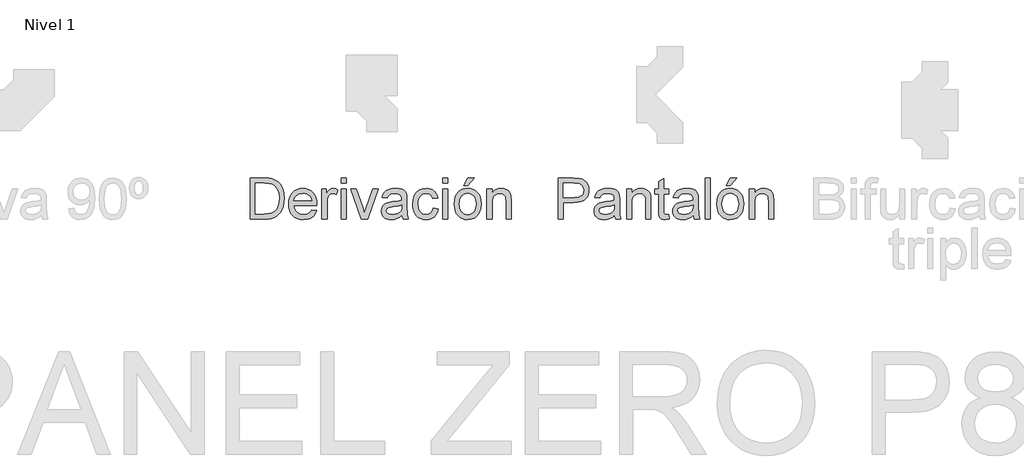
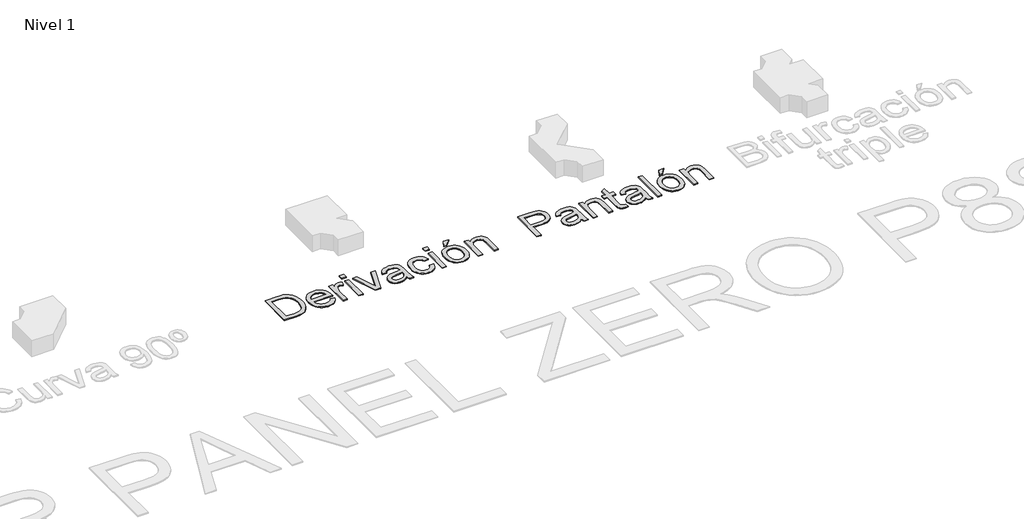
# One storey, part 5 of 8: 2 proxies.
"""IFC4 building model written with IfcOpenShell, lengths in millimetres."""

from ifc_helpers import new_model, si_unit, origin, origin_with_axes, place, context, project, spatial, polyline, outline, extrude, element, save

model = new_model("IFC4")

# Units and contexts
model_context = context("Model", 3, world=origin())
ifc_project = project(units=[si_unit("LENGTHUNIT", "METRE", prefix="MILLI")], contexts=[model_context])

# Site, building, storey
site = spatial("IfcSite", under=ifc_project)
building = spatial("IfcBuilding", under=site)
storey = spatial("IfcBuildingStorey", under=building, Name="Nivel 1", Elevation=0.0)

# Proxies
placement = place(None, origin())
element("IfcBuildingElementProxy", 1, Name="Texto de modelo 1", ObjectType="Texto de modelo 1", at=placement, inside=storey, context=model_context, shape_type="SweptSolid", body=[
    extrude(outline(polyline([(-6729.3028413, -4316.3248037), (-6729.3028413, -3914.4995631), (-6590.6849056, -3914.4995631), (-6549.2613929, -3915.9465656), (-6518.972442, -3920.2875732), (-6486.9421829, -3931.4466603), (-6459.915119, -3949.0314197), (-6432.1277656, -3979.6392017), (-6412.3357143, -4017.7027255), (-6400.4899141, -4062.486227), (-6396.541314, -4113.2539424), (-6399.2145898, -4156.3819749), (-6407.2344173, -4194.3351341), (-6419.4480995, -4226.647436), (-6434.7029396, -4252.8528968), (-6452.2631735, -4273.5401277), (-6471.3930373, -4289.2977398), (-6493.3555924, -4300.9841245), (-6519.4139004, -4309.4576731), (-6549.6170122, -4314.6080211), (-6584.0139787, -4316.3248037), (-6729.3028413, -4316.3248037)]), holes=[polyline([(-6679.0746863, -4266.0966486), (-6590.1943962, -4266.0966486), (-6553.4307222, -4264.2817641), (-6525.5452669, -4258.8371106), (-6504.5024168, -4250.0815191), (-6488.2665581, -4238.3338207), (-6470.8166888, -4216.5919948), (-6457.707827, -4188.4490222), (-6449.5040585, -4153.7822755), (-6446.769469, -4112.4691274), (-6452.1282834, -4057.7282866), (-6458.8268014, -4035.7289432), (-6468.2047266, -4017.310318), (-6491.9576408, -3989.5474901), (-6520.3458681, -3972.7720711), (-6549.2368674, -3966.7388064), (-6591.5678224, -3964.7277182), (-6679.0746863, -3964.7277182), (-6679.0746863, -4266.0966486)])]), origin_with_axes(), (0.0, 0.0, 1.0), 10.0),
    extrude(outline(polyline([(-6127.1535916, -4228.4255323), (-6077.9064552, -4234.7040517), (-6085.4572332, -4254.428658), (-6095.6506301, -4271.8110823), (-6108.4866461, -4286.8513245), (-6123.965281, -4299.5493847), (-6141.9271194, -4309.6354827), (-6162.2127458, -4316.8398385), (-6209.7553623, -4322.6033231), (-6240.9210986, -4320.1170539), (-6268.6900579, -4312.6582465), (-6293.0622401, -4300.2269007), (-6314.0376452, -4282.8230167), (-6330.9050347, -4260.9309723), (-6342.95317, -4235.0351455), (-6350.1820512, -4205.1355363), (-6352.5916783, -4171.2321448), (-6350.1575257, -4136.179122), (-6342.8550681, -4105.2831658), (-6330.6843055, -4078.5442761), (-6313.6452377, -4055.962453), (-6292.7250149, -4038.0220743), (-6268.9107871, -4025.2075182), (-6242.2025543, -4017.5187845), (-6212.6003164, -4014.9558732), (-6183.951506, -4017.5126531), (-6158.0434165, -4025.1829927), (-6134.8760479, -4037.966892), (-6114.4494001, -4055.8643511), (-6097.7751486, -4078.3971233), (-6085.864969, -4105.0869621), (-6078.7188613, -4135.9338674), (-6076.3368254, -4170.9378392), (-6076.631131, -4184.4758966), (-6302.3635232, -4184.4758966), (-6299.4541898, -4204.519334), (-6293.6692454, -4222.0734365), (-6285.0086901, -4237.1382042), (-6273.4725239, -4249.7136371), (-6259.6984088, -4259.6280569), (-6244.3240071, -4266.7097853), (-6208.7743436, -4272.375168), (-6182.0415853, -4269.7509431), (-6159.5272072, -4261.8782684), (-6141.2312093, -4248.2666346), (-6127.1535916, -4228.4255323)]), holes=[polyline([(-6302.3635232, -4134.2477415), (-6126.5649804, -4134.2477415), (-6133.3585346, -4107.711187), (-6146.6758629, -4088.728476), (-6160.3733358, -4078.4277801), (-6175.9592697, -4071.0701402), (-6193.4336644, -4066.6555563), (-6212.7965201, -4065.1840283), (-6246.6539264, -4069.8806551), (-6274.6497462, -4083.9705355), (-6294.1107038, -4105.9330907), (-6302.3635232, -4134.2477415)])]), origin_with_axes(), (0.0, 0.0, 1.0), 10.0),
    extrude(outline(polyline([(-6026.1086703, -4316.3248037), (-6026.1086703, -4021.2343926), (-5982.1590346, -4021.2343926), (-5982.1590346, -4064.8897227), (-5965.9231759, -4039.5794415), (-5950.9626414, -4024.6679579), (-5935.953056, -4017.3838944), (-5919.5700445, -4014.9558732), (-5894.5540688, -4018.8308969), (-5869.1456857, -4030.455968), (-5885.9211047, -4075.4847242), (-5903.5794404, -4067.7592023), (-5921.2377762, -4065.1840283), (-5936.2350989, -4067.6611004), (-5949.6382662, -4075.0923167), (-5960.4662596, -4086.9135915), (-5967.7380604, -4102.560839), (-5973.8449015, -4130.6179725), (-5975.8805152, -4161.2257545), (-5975.8805152, -4316.3248037), (-6026.1086703, -4316.3248037)])), origin_with_axes(), (0.0, 0.0, 1.0), 10.0),
    extrude(outline(polyline([(-5837.7530888, -3964.7277182), (-5837.7530888, -3914.4995631), (-5787.5249337, -3914.4995631), (-5787.5249337, -3964.7277182), (-5837.7530888, -3964.7277182)])), origin_with_axes(), (0.0, 0.0, 1.0), 10.0),
    extrude(outline(polyline([(-5837.7530888, -4316.3248037), (-5837.7530888, -4021.2343926), (-5787.5249337, -4021.2343926), (-5787.5249337, -4316.3248037), (-5837.7530888, -4316.3248037)])), origin_with_axes(), (0.0, 0.0, 1.0), 10.0),
    extrude(outline(polyline([(-5639.7835244, -4316.3248037), (-5743.575298, -4021.2343926), (-5690.404087, -4021.2343926), (-5627.5207913, -4198.013954), (-5608.5871312, -4257.4636845), (-5590.0458787, -4201.3494175), (-5526.7701755, -4021.2343926), (-5473.5989645, -4021.2343926), (-5576.1154138, -4316.3248037), (-5639.7835244, -4316.3248037)])), origin_with_axes(), (0.0, 0.0, 1.0), 10.0),
    extrude(outline(polyline([(-5241.2937473, -4278.6536874), (-5265.2919161, -4299.2305537), (-5290.0013234, -4312.6950347), (-5315.986055, -4320.126251), (-5343.8101966, -4322.6033231), (-5366.1743562, -4321.113401), (-5385.7855322, -4316.6436348), (-5402.6437247, -4309.1940244), (-5416.7489335, -4298.7645698), (-5427.8865609, -4286.0174587), (-5435.842009, -4271.6148785), (-5440.6152779, -4255.5568295), (-5442.2063676, -4237.8433114), (-5439.8028719, -4217.0211905), (-5432.5923847, -4198.1120559), (-5421.4700858, -4181.9252481), (-5407.3311544, -4169.2701075), (-5390.715151, -4159.7051756), (-5372.1616357, -4152.7889941), (-5328.7025093, -4145.2351505), (-5277.3461828, -4137.2888994), (-5241.5880529, -4127.9692222), (-5241.2937473, -4116.7856095), (-5244.751838, -4094.3693333), (-5255.1261103, -4079.7031044), (-5278.3272014, -4068.8137973), (-5310.6517661, -4065.1840283), (-5340.572835, -4067.5997868), (-5361.4685323, -4074.8470621), (-5375.7178283, -4088.2502294), (-5385.6996931, -4109.133664), (-5435.9278482, -4102.8551446), (-5427.2090449, -4075.3866223), (-5414.198285, -4053.8042119), (-5395.6815579, -4037.2985731), (-5370.444853, -4025.0603654), (-5339.5795536, -4017.4819963), (-5304.177043, -4014.9558732), (-5270.2215348, -4017.1876907), (-5243.3048355, -4023.883143), (-5223.0100121, -4033.9508469), (-5208.9201317, -4046.2994192), (-5199.575929, -4061.566522), (-5193.5181388, -4080.3898175), (-5191.0655922, -4124.3394531), (-5191.0655922, -4186.8303414), (-5188.5149437, -4274.0919506), (-5178.5085534, -4316.3248037), (-5228.7367085, -4316.3248037), (-5236.7810614, -4298.8626717), (-5241.2937473, -4278.6536874)]), holes=[polyline([(-5241.2937473, -4178.1973772), (-5275.0407889, -4186.5605613), (-5322.3258881, -4193.5993701), (-5365.5397598, -4201.7418249), (-5376.7846861, -4207.3091058), (-5385.1110819, -4214.9855768), (-5390.2614298, -4224.1826266), (-5391.9782125, -4234.3116442), (-5388.2380789, -4249.2476532), (-5377.017678, -4261.4858609), (-5358.5622646, -4269.6528412), (-5333.1170933, -4272.375168), (-5306.1390803, -4269.3707984), (-5282.300327, -4260.3576895), (-5262.9742595, -4247.0771495), (-5249.5343039, -4231.2704864), (-5243.5746156, -4214.9855768), (-5241.5880529, -4192.4221477), (-5241.2937473, -4178.1973772)])]), origin_with_axes(), (0.0, 0.0, 1.0), 10.0),
    extrude(outline(polyline([(-4933.6462974, -4209.5899742), (-4883.4181423, -4215.8684935), (-4888.88119, -4239.5692911), (-4897.4221836, -4260.5416305), (-4909.0411233, -4278.7855118), (-4923.738009, -4294.3009349), (-4940.8935727, -4306.6832297), (-4959.8885464, -4315.527726), (-4980.7229301, -4320.8344238), (-5003.3967237, -4322.6033231), (-5031.5672875, -4320.135448), (-5056.8254521, -4312.7318229), (-5079.1712177, -4300.3924476), (-5098.6045841, -4283.1173223), (-5114.334605, -4261.2314092), (-5125.5703343, -4235.059671), (-5132.3117719, -4204.6021074), (-5134.5589177, -4169.8587187), (-5130.7206822, -4125.1610563), (-5119.2059758, -4086.4230822), (-5099.8308574, -4055.1408499), (-5072.411386, -4032.8104127), (-5039.6085748, -4019.4195081), (-5004.0834368, -4014.9558732), (-4981.7989849, -4016.4887149), (-4961.6421173, -4021.0872398), (-4943.6128338, -4028.7514481), (-4927.7111346, -4039.4813396), (-4914.2067997, -4053.0316597), (-4903.3696092, -4069.1571539), (-4895.1995632, -4087.857822), (-4889.6966617, -4109.133664), (-4939.9248168, -4115.4121834), (-4949.0360276, -4093.4986792), (-4963.2240098, -4077.790118), (-4981.7039487, -4068.3355507), (-5003.6910293, -4065.1840283), (-5020.7576882, -4066.7352641), (-5036.150484, -4071.3889713), (-5049.8694167, -4079.14515), (-5061.9144864, -4090.0038003), (-5071.7216073, -4104.216308), (-5078.7266936, -4122.0340593), (-5082.9297454, -4143.4570542), (-5084.3307626, -4168.4852926), (-5078.8493209, -4215.5619252), (-5071.9975188, -4233.4992382), (-5062.4049957, -4247.7025489), (-5050.5990494, -4258.4968197), (-5037.1069772, -4266.2070132), (-5021.9287792, -4270.8331293), (-5005.0644554, -4272.375168), (-4979.0551984, -4268.5246698), (-4957.7303054, -4256.9731751), (-4942.2179479, -4237.4263785), (-4933.6462974, -4209.5899742)])), origin_with_axes(), (0.0, 0.0, 1.0), 10.0),
    extrude(outline(polyline([(-4839.4685067, -4316.3248037), (-4839.4685067, -4021.2343926), (-4789.2403516, -4021.2343926), (-4789.2403516, -4316.3248037), (-4839.4685067, -4316.3248037)])), origin_with_axes(), (0.0, 0.0, 1.0), 10.0),
    extrude(outline(polyline([(-4839.4685067, -3964.7277182), (-4839.4685067, -3914.4995631), (-4789.2403516, -3914.4995631), (-4789.2403516, -3964.7277182), (-4839.4685067, -3964.7277182)])), origin_with_axes(), (0.0, 0.0, 1.0), 10.0),
    extrude(outline(polyline([(-4726.4551577, -4168.7795982), (-4723.7389623, -4130.5627902), (-4715.5903761, -4097.6312203), (-4702.0093992, -4069.9848884), (-4682.9960314, -4047.6237944), (-4663.8539049, -4033.3315789), (-4642.7252156, -4023.1228535), (-4619.6099636, -4016.9976183), (-4594.5081488, -4014.9558732), (-4566.7974375, -4017.4421424), (-4541.741608, -4024.9009498), (-4519.3406601, -4037.3322956), (-4499.594594, -4054.7361797), (-4483.478297, -4076.5239908), (-4471.9666562, -4102.1071179), (-4465.0596717, -4131.4855609), (-4462.7573436, -4164.6593198), (-4466.828571, -4215.4025097), (-4479.0422532, -4254.0301192), (-4499.0427711, -4282.9579067), (-4526.4745052, -4304.6016308), (-4559.0565872, -4318.1029), (-4594.5081488, -4322.6033231), (-4622.6235303, -4320.126251), (-4647.9123518, -4312.6950347), (-4670.3746133, -4300.3096742), (-4690.0103147, -4282.9701695), (-4705.9549336, -4260.9708262), (-4717.343947, -4234.6059498), (-4724.1773551, -4203.8755405), (-4726.4551577, -4168.7795982)]), holes=[polyline([(-4676.2270027, -4168.6814963), (-4674.7738688, -4193.0444814), (-4670.4144671, -4214.1394482), (-4663.1487977, -4231.9663965), (-4652.9768606, -4246.5253265), (-4640.6037628, -4257.8346321), (-4626.7346116, -4265.9127076), (-4611.3694069, -4270.7595529), (-4594.5081488, -4272.375168), (-4577.7327298, -4270.7503559), (-4562.4288388, -4265.8759194), (-4548.5964758, -4257.7518587), (-4536.2356408, -4246.3781737), (-4526.0637036, -4231.6751566), (-4518.7980342, -4213.5630997), (-4514.4386326, -4192.042003), (-4512.9854987, -4167.1118665), (-4514.4478296, -4143.5214335), (-4518.8348224, -4122.9782898), (-4526.146477, -4105.4824352), (-4536.3827936, -4091.0338698), (-4548.7896139, -4079.7245642), (-4562.6127798, -4071.6464887), (-4577.8522915, -4066.7996434), (-4594.5081488, -4065.1840283), (-4611.3694069, -4066.793512), (-4626.7346116, -4071.6219632), (-4640.6037628, -4079.6693819), (-4652.9768606, -4090.935768), (-4663.1487977, -4105.4517784), (-4670.4144671, -4123.2480699), (-4674.7738688, -4144.3246425), (-4676.2270027, -4168.6814963)])]), origin_with_axes(), (0.0, 0.0, 1.0), 10.0),
    extrude(outline(polyline([(-4632.277367, -3989.8417957), (-4594.6062507, -3914.4995631), (-4531.8210568, -3914.4995631), (-4594.6062507, -3989.8417957), (-4632.277367, -3989.8417957)])), origin_with_axes(), (0.0, 0.0, 1.0), 10.0),
    extrude(outline(polyline([(-4406.2506691, -4316.3248037), (-4406.2506691, -4021.2343926), (-4356.0225141, -4021.2343926), (-4356.0225141, -4062.4371761), (-4338.5726448, -4041.6641061), (-4317.6156338, -4026.826199), (-4293.1514811, -4017.9234547), (-4265.1801867, -4014.9558732), (-4240.4217284, -4017.3471062), (-4217.7479348, -4024.5208051), (-4198.8388003, -4035.5817904), (-4185.3743192, -4049.6348827), (-4176.238583, -4066.6432936), (-4170.3156829, -4086.570235), (-4167.6669325, -4135.1306583), (-4167.6669325, -4316.3248037), (-4217.8950876, -4316.3248037), (-4217.8950876, -4141.899687), (-4219.3420901, -4115.9272182), (-4223.6830977, -4097.459542), (-4231.6906624, -4084.2280529), (-4244.1373366, -4073.9641453), (-4260.0911525, -4067.3790576), (-4278.6201423, -4065.1840283), (-4308.0384392, -4070.1136471), (-4333.1157285, -4084.9025033), (-4343.1374472, -4096.9751641), (-4350.2958177, -4113.4746716), (-4354.59084, -4134.4010257), (-4356.0225141, -4159.7542265), (-4356.0225141, -4316.3248037), (-4406.2506691, -4316.3248037)])), origin_with_axes(), (0.0, 0.0, 1.0), 10.0),
])
element("IfcBuildingElementProxy", 2, Name="Texto de modelo 1", ObjectType="Texto de modelo 1", at=placement, inside=storey, context=model_context, shape_type="SweptSolid", body=[
    extrude(outline(polyline([(-3706.4154032, -4316.3248037), (-3706.4154032, -3914.4995631), (-3557.4967716, -3914.4995631), (-3497.4584299, -3918.3255358), (-3470.6888834, -3925.4747093), (-3448.6527519, -3937.1120431), (-3430.908577, -3953.7648347), (-3417.0149003, -3975.9603818), (-3408.0385796, -4002.1413171), (-3405.0464728, -4030.7502736), (-3407.066758, -4055.4167613), (-3413.1276139, -4078.1089491), (-3423.2290404, -4098.8268368), (-3437.3710374, -4117.5704244), (-3456.7860097, -4133.1073074), (-3482.7063619, -4144.2050809), (-3515.1320941, -4150.863745), (-3554.0632063, -4153.0832997), (-3656.1872481, -4153.0832997), (-3656.1872481, -4316.3248037), (-3706.4154032, -4316.3248037)]), holes=[polyline([(-3656.1872481, -4102.8551446), (-3551.1201503, -4102.8551446), (-3506.5819034, -4098.244357), (-3489.9781627, -4092.4808724), (-3477.1513438, -4084.4119939), (-3467.5802806, -4074.2523195), (-3460.7438068, -4062.2164469), (-3455.2746278, -4032.5161071), (-3458.4997267, -4009.9526781), (-3468.1750231, -3990.9209162), (-3483.0987694, -3976.5980439), (-3502.0692176, -3968.1612835), (-3552.2973727, -3964.7277182), (-3656.1872481, -3964.7277182), (-3656.1872481, -4102.8551446)])]), origin_with_axes(), (0.0, 0.0, 1.0), 10.0),
    extrude(outline(polyline([(-3153.9056974, -4278.6536874), (-3177.9038662, -4299.2305537), (-3202.6132735, -4312.6950347), (-3228.5980051, -4320.126251), (-3256.4221467, -4322.6033231), (-3278.7863063, -4321.113401), (-3298.3974824, -4316.6436348), (-3315.2556748, -4309.1940244), (-3329.3608836, -4298.7645698), (-3340.498511, -4286.0174587), (-3348.4539592, -4271.6148785), (-3353.227228, -4255.5568295), (-3354.8183177, -4237.8433114), (-3352.414822, -4217.0211905), (-3345.2043349, -4198.1120559), (-3334.0820359, -4181.9252481), (-3319.9431045, -4169.2701075), (-3303.3271011, -4159.7051756), (-3284.7735858, -4152.7889941), (-3241.3144594, -4145.2351505), (-3189.9581329, -4137.2888994), (-3154.200003, -4127.9692222), (-3153.9056974, -4116.7856095), (-3157.3637881, -4094.3693333), (-3167.7380604, -4079.7031044), (-3190.9391516, -4068.8137973), (-3223.2637162, -4065.1840283), (-3253.1847851, -4067.5997868), (-3274.0804825, -4074.8470621), (-3288.3297784, -4088.2502294), (-3298.3116432, -4109.133664), (-3348.5397983, -4102.8551446), (-3339.820995, -4075.3866223), (-3326.8102351, -4053.8042119), (-3308.293508, -4037.2985731), (-3283.0568032, -4025.0603654), (-3252.1915038, -4017.4819963), (-3216.7889931, -4014.9558732), (-3182.8334849, -4017.1876907), (-3155.9167856, -4023.883143), (-3135.6219622, -4033.9508469), (-3121.5320818, -4046.2994192), (-3112.1878791, -4061.566522), (-3106.1300889, -4080.3898175), (-3103.6775423, -4124.3394531), (-3103.6775423, -4186.8303414), (-3101.1268938, -4274.0919506), (-3091.1205035, -4316.3248037), (-3141.3486586, -4316.3248037), (-3149.3930116, -4298.8626717), (-3153.9056974, -4278.6536874)]), holes=[polyline([(-3153.9056974, -4178.1973772), (-3187.6527391, -4186.5605613), (-3234.9378382, -4193.5993701), (-3278.1517099, -4201.7418249), (-3289.3966362, -4207.3091058), (-3297.723032, -4214.9855768), (-3302.87338, -4224.1826266), (-3304.5901626, -4234.3116442), (-3300.850029, -4249.2476532), (-3289.6296281, -4261.4858609), (-3271.1742147, -4269.6528412), (-3245.7290434, -4272.375168), (-3218.7510304, -4269.3707984), (-3194.9122771, -4260.3576895), (-3175.5862096, -4247.0771495), (-3162.1462541, -4231.2704864), (-3156.1865657, -4214.9855768), (-3154.200003, -4192.4221477), (-3153.9056974, -4178.1973772)])]), origin_with_axes(), (0.0, 0.0, 1.0), 10.0),
    extrude(outline(polyline([(-3034.6138291, -4316.3248037), (-3034.6138291, -4021.2343926), (-2984.385674, -4021.2343926), (-2984.385674, -4062.4371761), (-2966.9358047, -4041.6641061), (-2945.9787937, -4026.826199), (-2921.514641, -4017.9234547), (-2893.5433467, -4014.9558732), (-2868.7848884, -4017.3471062), (-2846.1110947, -4024.5208051), (-2827.2019602, -4035.5817904), (-2813.7374792, -4049.6348827), (-2804.601743, -4066.6432936), (-2798.6788428, -4086.570235), (-2796.0300925, -4135.1306583), (-2796.0300925, -4316.3248037), (-2846.2582475, -4316.3248037), (-2846.2582475, -4141.899687), (-2847.7052501, -4115.9272182), (-2852.0462576, -4097.459542), (-2860.0538224, -4084.2280529), (-2872.5004965, -4073.9641453), (-2888.4543124, -4067.3790576), (-2906.9833022, -4065.1840283), (-2936.4015991, -4070.1136471), (-2961.4788884, -4084.9025033), (-2971.5006071, -4096.9751641), (-2978.6589776, -4113.4746716), (-2982.9539999, -4134.4010257), (-2984.385674, -4159.7542265), (-2984.385674, -4316.3248037), (-3034.6138291, -4316.3248037)])), origin_with_axes(), (0.0, 0.0, 1.0), 10.0),
    extrude(outline(polyline([(-2620.2315497, -4274.4353072), (-2613.9530303, -4317.7963317), (-2651.5260448, -4322.6033231), (-2675.6345782, -4320.5186584), (-2693.611745, -4314.2646645), (-2706.3159366, -4304.6261562), (-2714.6055442, -4292.3879485), (-2719.1672809, -4271.3696239), (-2720.6878599, -4235.3907648), (-2720.6878599, -4071.4625477), (-2758.3589762, -4071.4625477), (-2758.3589762, -4021.2343926), (-2720.6878599, -4021.2343926), (-2720.6878599, -3949.521929), (-2670.4597048, -3919.9932676), (-2670.4597048, -4021.2343926), (-2620.2315497, -4021.2343926), (-2620.2315497, -4071.4625477), (-2670.4597048, -4071.4625477), (-2670.4597048, -4233.9192368), (-2667.8109544, -4259.8181292), (-2659.2270412, -4268.9906536), (-2642.1082657, -4272.375168), (-2620.2315497, -4274.4353072)])), origin_with_axes(), (0.0, 0.0, 1.0), 10.0),
    extrude(outline(polyline([(-2381.6478131, -4278.6536874), (-2405.6459819, -4299.2305537), (-2430.3553893, -4312.6950347), (-2456.3401209, -4320.126251), (-2484.1642624, -4322.6033231), (-2506.528422, -4321.113401), (-2526.1395981, -4316.6436348), (-2542.9977905, -4309.1940244), (-2557.1029993, -4298.7645698), (-2568.2406267, -4286.0174587), (-2576.1960749, -4271.6148785), (-2580.9693438, -4255.5568295), (-2582.5604334, -4237.8433114), (-2580.1569377, -4217.0211905), (-2572.9464506, -4198.1120559), (-2561.8241516, -4181.9252481), (-2547.6852203, -4169.2701075), (-2531.0692168, -4159.7051756), (-2512.5157015, -4152.7889941), (-2469.0565752, -4145.2351505), (-2417.7002486, -4137.2888994), (-2381.9421187, -4127.9692222), (-2381.6478131, -4116.7856095), (-2385.1059039, -4094.3693333), (-2395.4801761, -4079.7031044), (-2418.6812673, -4068.8137973), (-2451.0058319, -4065.1840283), (-2480.9269009, -4067.5997868), (-2501.8225982, -4074.8470621), (-2516.0718941, -4088.2502294), (-2526.0537589, -4109.133664), (-2576.281914, -4102.8551446), (-2567.5631107, -4075.3866223), (-2554.5523508, -4053.8042119), (-2536.0356237, -4037.2985731), (-2510.7989189, -4025.0603654), (-2479.9336195, -4017.4819963), (-2444.5311088, -4014.9558732), (-2410.5756007, -4017.1876907), (-2383.6589013, -4023.883143), (-2363.3640779, -4033.9508469), (-2349.2741975, -4046.2994192), (-2339.9299948, -4061.566522), (-2333.8722047, -4080.3898175), (-2331.419658, -4124.3394531), (-2331.419658, -4186.8303414), (-2328.8690095, -4274.0919506), (-2318.8626193, -4316.3248037), (-2369.0907743, -4316.3248037), (-2377.1351273, -4298.8626717), (-2381.6478131, -4278.6536874)]), holes=[polyline([(-2381.6478131, -4178.1973772), (-2415.3948548, -4186.5605613), (-2462.6799539, -4193.5993701), (-2505.8938256, -4201.7418249), (-2517.1387519, -4207.3091058), (-2525.4651478, -4214.9855768), (-2530.6154957, -4224.1826266), (-2532.3322783, -4234.3116442), (-2528.5921447, -4249.2476532), (-2517.3717439, -4261.4858609), (-2498.9163304, -4269.6528412), (-2473.4711591, -4272.375168), (-2446.4931461, -4269.3707984), (-2422.6543928, -4260.3576895), (-2403.3283254, -4247.0771495), (-2389.8883698, -4231.2704864), (-2383.9286815, -4214.9855768), (-2381.9421187, -4192.4221477), (-2381.6478131, -4178.1973772)])]), origin_with_axes(), (0.0, 0.0, 1.0), 10.0),
    extrude(outline(polyline([(-2262.3559448, -4316.3248037), (-2262.3559448, -3914.4995631), (-2212.1277897, -3914.4995631), (-2212.1277897, -4316.3248037), (-2262.3559448, -4316.3248037)])), origin_with_axes(), (0.0, 0.0, 1.0), 10.0),
    extrude(outline(polyline([(-2055.1648051, -3989.8417957), (-2017.4936888, -3914.4995631), (-1954.708495, -3914.4995631), (-2017.4936888, -3989.8417957), (-2055.1648051, -3989.8417957)])), origin_with_axes(), (0.0, 0.0, 1.0), 10.0),
    extrude(outline(polyline([(-2149.3425959, -4168.7795982), (-2146.6264005, -4130.5627902), (-2138.4778143, -4097.6312203), (-2124.8968373, -4069.9848884), (-2105.8834695, -4047.6237944), (-2086.741343, -4033.3315789), (-2065.6126538, -4023.1228535), (-2042.4974017, -4016.9976183), (-2017.3955869, -4014.9558732), (-1989.6848757, -4017.4421424), (-1964.6290461, -4024.9009498), (-1942.2280983, -4037.3322956), (-1922.4820322, -4054.7361797), (-1906.3657351, -4076.5239908), (-1894.8540944, -4102.1071179), (-1887.9471099, -4131.4855609), (-1885.6447817, -4164.6593198), (-1889.7160092, -4215.4025097), (-1901.9296914, -4254.0301192), (-1921.9302092, -4282.9579067), (-1949.3619433, -4304.6016308), (-1981.9440253, -4318.1029), (-2017.3955869, -4322.6033231), (-2045.5109684, -4320.126251), (-2070.7997899, -4312.6950347), (-2093.2620514, -4300.3096742), (-2112.8977529, -4282.9701695), (-2128.8423717, -4260.9708262), (-2140.2313851, -4234.6059498), (-2147.0647932, -4203.8755405), (-2149.3425959, -4168.7795982)]), holes=[polyline([(-2099.1144408, -4168.6814963), (-2097.6613069, -4193.0444814), (-2093.3019053, -4214.1394482), (-2086.0362359, -4231.9663965), (-2075.8642987, -4246.5253265), (-2063.4912009, -4257.8346321), (-2049.6220497, -4265.9127076), (-2034.2568451, -4270.7595529), (-2017.3955869, -4272.375168), (-2000.620168, -4270.7503559), (-1985.316277, -4265.8759194), (-1971.4839139, -4257.7518587), (-1959.1230789, -4246.3781737), (-1948.9511417, -4231.6751566), (-1941.6854723, -4213.5630997), (-1937.3260707, -4192.042003), (-1935.8729368, -4167.1118665), (-1937.3352677, -4143.5214335), (-1941.7222605, -4122.9782898), (-1949.0339152, -4105.4824352), (-1959.2702317, -4091.0338698), (-1971.677052, -4079.7245642), (-1985.500218, -4071.6464887), (-2000.7397296, -4066.7996434), (-2017.3955869, -4065.1840283), (-2034.2568451, -4066.793512), (-2049.6220497, -4071.6219632), (-2063.4912009, -4079.6693819), (-2075.8642987, -4090.935768), (-2086.0362359, -4105.4517784), (-2093.3019053, -4123.2480699), (-2097.6613069, -4144.3246425), (-2099.1144408, -4168.6814963)])]), origin_with_axes(), (0.0, 0.0, 1.0), 10.0),
    extrude(outline(polyline([(-1829.1381073, -4316.3248037), (-1829.1381073, -4021.2343926), (-1778.9099522, -4021.2343926), (-1778.9099522, -4062.4371761), (-1761.4600829, -4041.6641061), (-1740.5030719, -4026.826199), (-1716.0389192, -4017.9234547), (-1688.0676249, -4014.9558732), (-1663.3091666, -4017.3471062), (-1640.635373, -4024.5208051), (-1621.7262384, -4035.5817904), (-1608.2617574, -4049.6348827), (-1599.1260212, -4066.6432936), (-1593.203121, -4086.570235), (-1590.5543707, -4135.1306583), (-1590.5543707, -4316.3248037), (-1640.7825257, -4316.3248037), (-1640.7825257, -4141.899687), (-1642.2295283, -4115.9272182), (-1646.5705358, -4097.459542), (-1654.5781006, -4084.2280529), (-1667.0247747, -4073.9641453), (-1682.9785906, -4067.3790576), (-1701.5075804, -4065.1840283), (-1730.9258773, -4070.1136471), (-1756.0031666, -4084.9025033), (-1766.0248853, -4096.9751641), (-1773.1832558, -4113.4746716), (-1777.4782781, -4134.4010257), (-1778.9099522, -4159.7542265), (-1778.9099522, -4316.3248037), (-1829.1381073, -4316.3248037)])), origin_with_axes(), (0.0, 0.0, 1.0), 10.0),
])

save(model, "model.ifc")
